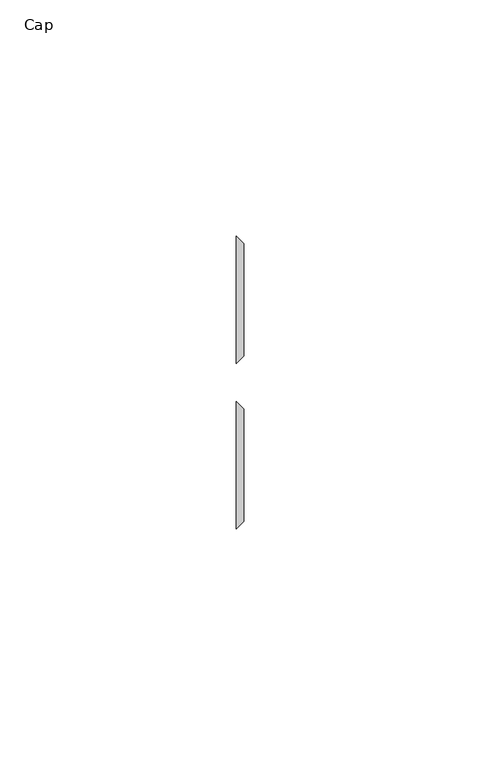
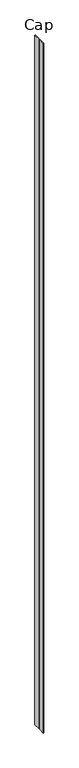
"""IFC4 building model written with IfcOpenShell, lengths in millimetres: furniture geometry, Cap."""

from ifc_helpers import new_model, si_unit, origin, origin_with_axes, place, context, project, spatial, polyline, outline, extrude, source, transform, mapped, element, save


def cap_07149bba(model_context):
    return source(origin(), model_context, "Body", "SweptSolid", [
        extrude(outline(polyline([(29.9771531, 46.5601737), (31.5646531, 44.9726737), (31.5646531, 21.086411), (29.9771531, 19.498911), (29.9771531, 46.5601737)])), origin_with_axes(), (0.0, 0.0, 1.0), 3048.0),
        extrude(outline(polyline([(29.9771531, -15.5565637), (29.9771531, 11.5046991), (31.5646531, 9.9171991), (31.5646531, -13.9690637), (29.9771531, -15.5565637)])), origin_with_axes(), (0.0, 0.0, 1.0), 3048.0),
    ])


if __name__ == "__main__":
    model = new_model("IFC4")
    model_context = context("Model", 3, world=origin())
    ifc_project = project(units=[si_unit("LENGTHUNIT", "METRE", prefix="MILLI")], contexts=[model_context])
    site = spatial("IfcSite", under=ifc_project)
    building = spatial("IfcBuilding", under=site)
    placement = place(None, origin())
    cap_shape = cap_07149bba(model_context)
    element("IfcFurniture", 1, ObjectType="Cap", at=placement, inside=building, context=model_context, shape_type="MappedRepresentation", body=[
        mapped(cap_shape, transform((0.0, 0.0, 0.0), x_axis=(1.0, 0.0, 0.0), y_axis=(0.0, 1.0, 0.0), z_axis=(0.0, 0.0, 1.0))),
    ])
    save(model, "model.ifc")
